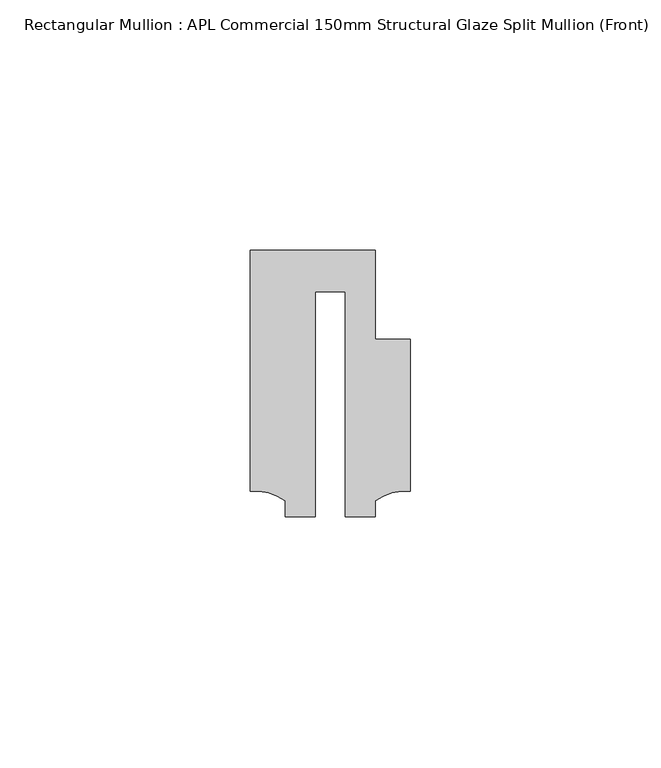
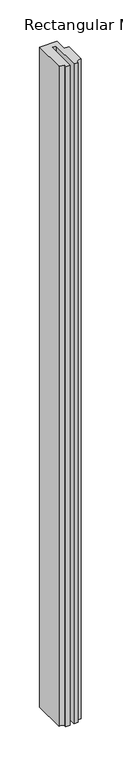
"""IFC4 building model written with IfcOpenShell, lengths in millimetres: member geometry, Rectangular Mullion : APL Commercial 150mm Structural Glaze Split Mullion (Front)."""

from ifc_helpers import new_model, si_unit, point, frame, frame_2d, origin, place, context, project, spatial, polyline, circle_curve, trimmed, segment, composite_curve, outline, extrude, source, transform, mapped, element, save


def rectangular_mullion_apl_commercial_150mm_structural_glaze_df2d02ce(model_context):
    return source(origin(), model_context, "Body", "SweptSolid", [
        extrude(outline(composite_curve([segment(polyline([(15.9999391, 14.9953356), (15.9999391, -15.3837352)]), True, "CONTINUOUS"), segment(trimmed(circle_curve(frame_2d((15.1098019, -25.802169)), 10.4563907), [point((15.9999391, -15.3837352))], [point((8.9999842, -17.3165203))], True, "CARTESIAN"), True, "CONTINUOUS"), segment(polyline([(8.9999842, -17.3165203), (8.9999842, -20.5039877), (2.9999676, -20.5039877), (2.9999676, 24.5130805), (-2.9999659, 24.5130805), (-2.9999659, -20.5039877), (-8.9999842, -20.5039877), (-8.9999842, -17.3165203)]), True, "CONTINUOUS"), segment(trimmed(circle_curve(frame_2d((-15.1098019, -25.802169)), 10.4563907), [point((-8.9999842, -17.3165203))], [point((-15.9999391, -15.3837352))], True, "CARTESIAN"), True, "CONTINUOUS"), segment(polyline([(-15.9999391, -15.3837352), (-15.9999391, 32.7960123), (9.0, 32.7960123), (9.0, 14.9953356), (15.9999391, 14.9953356)]), True, "CONTINUOUS")], self_intersect=False)), frame((0.0, 0.0, -1010.8198717), z_axis=(0.0, 0.0, 1.0), x_axis=(1.0, 0.0, 0.0)), (0.0, 0.0, 1.0), 1010.8198717),
    ])


if __name__ == "__main__":
    model = new_model("IFC4")
    model_context = context("Model", 3, world=origin())
    ifc_project = project(units=[si_unit("LENGTHUNIT", "METRE", prefix="MILLI")], contexts=[model_context])
    site = spatial("IfcSite", under=ifc_project)
    building = spatial("IfcBuilding", under=site)
    placement = place(None, origin())
    rectangular_mullion_apl_commercial_150mm_structural_glaze_shape = rectangular_mullion_apl_commercial_150mm_structural_glaze_df2d02ce(model_context)
    element("IfcMember", 1, ObjectType="Rectangular Mullion : APL Commercial 150mm Structural Glaze Split Mullion (Front)", at=placement, inside=building, context=model_context, shape_type="MappedRepresentation", body=[
        mapped(rectangular_mullion_apl_commercial_150mm_structural_glaze_shape, transform((0.0, 0.0, 0.0), x_axis=(1.0, 0.0, 0.0), y_axis=(0.0, 1.0, 0.0), z_axis=(0.0, 0.0, 1.0))),
    ])
    save(model, "model.ifc")
